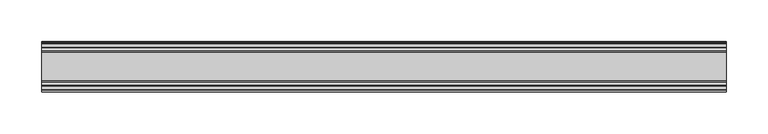
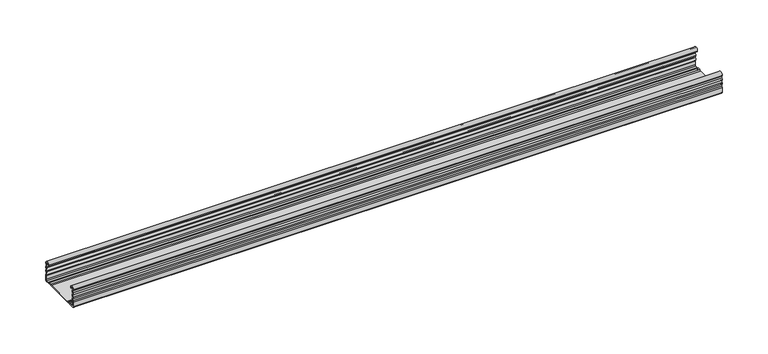
"""IFC4 building model written with IfcOpenShell, lengths in millimetres: proxy geometry."""

from ifc_helpers import new_model, si_unit, point, frame, frame_2d, origin, place, context, project, spatial, polyline, circle_curve, trimmed, segment, composite_curve, outline, extrude, source, transform, mapped, element, save


def generic_models_9cc6b144(model_context):
    return source(origin(), model_context, "Body", "SweptSolid", [
        extrude(outline(composite_curve([segment(trimmed(circle_curve(frame_2d((-28.2, 23.9406511)), 1.8), [point((-29.424, 22.6208693))], [point((-29.9990651, 23.8826448))], False, "CARTESIAN"), True, "CONTINUOUS"), segment(trimmed(circle_curve(frame_2d((-26.8817099, 23.8826448)), 3.1173552), [point((-29.9990651, 23.8826448))], [point((-23.7643548, 23.8826448))], False, "CARTESIAN"), True, "CONTINUOUS"), segment(polyline([(-23.7643548, 23.8826448), (-23.7643548, 23.0407729), (-24.9643548, 23.0407729), (-24.9643548, 23.8826448)]), True, "CONTINUOUS"), segment(trimmed(circle_curve(frame_2d((-26.8817099, 23.8826448)), 1.9173552), [point((-24.9643548, 23.8826448))], [point((-28.7514388, 24.3073386))], True, "CARTESIAN"), True, "CONTINUOUS"), segment(trimmed(circle_curve(frame_2d((-27.7762784, 24.0858388)), 1.0), [point((-28.7514388, 24.3073386))], [point((-28.4928378, 23.3883128))], True, "CARTESIAN"), True, "CONTINUOUS"), segment(trimmed(circle_curve(frame_2d((-30.75, 21.1911057)), 3.15), [point((-28.4928378, 23.3883128))], [point((-28.3578316, 19.1417081))], False, "CARTESIAN"), True, "CONTINUOUS"), segment(trimmed(circle_curve(frame_2d((-27.5984131, 18.4911057)), 1.0), [point((-28.3578316, 19.1417081))], [point((-28.3578316, 17.8405033))], True, "CARTESIAN"), True, "CONTINUOUS"), segment(trimmed(circle_curve(frame_2d((-30.75, 15.7911057)), 3.15), [point((-28.3578316, 17.8405033))], [point((-28.3578316, 13.7417081))], False, "CARTESIAN"), True, "CONTINUOUS"), segment(trimmed(circle_curve(frame_2d((-27.5984131, 13.0911057)), 1.0), [point((-28.3578316, 13.7417081))], [point((-28.3578316, 12.4405033))], True, "CARTESIAN"), True, "CONTINUOUS"), segment(trimmed(circle_curve(frame_2d((-30.75, 10.3911057)), 3.15), [point((-28.3578316, 12.4405033))], [point((-28.3339806, 8.3698808))], False, "CARTESIAN"), True, "CONTINUOUS"), segment(trimmed(circle_curve(frame_2d((-26.8, 7.0865634)), 2.0), [point((-28.3339806, 8.3698808))], [point((-28.8, 7.0865634))], True, "CARTESIAN"), True, "CONTINUOUS"), segment(polyline([(-28.8, 7.0865634), (-28.8, 2.3817804)]), True, "CONTINUOUS"), segment(trimmed(circle_curve(frame_2d((-27.6182196, 2.3817804)), 1.1817804), [point((-28.8, 2.3817804))], [point((-27.6182196, 1.2))], True, "CARTESIAN"), True, "CONTINUOUS"), segment(polyline([(-27.6182196, 1.2), (-24.382064, 1.2)]), True, "CONTINUOUS"), segment(trimmed(circle_curve(frame_2d((-24.382064, 4.2)), 3.0), [point((-24.382064, 1.2))], [point((-22.6017433, 1.7853659))], True, "CARTESIAN"), True, "CONTINUOUS"), segment(trimmed(circle_curve(frame_2d((-20.7324065, -0.75)), 3.15), [point((-22.6017433, 1.7853659))], [point((-18.8630697, 1.7853659))], False, "CARTESIAN"), True, "CONTINUOUS"), segment(trimmed(circle_curve(frame_2d((-17.082749, 4.2)), 3.0), [point((-18.8630697, 1.7853659))], [point((-17.082749, 1.2))], True, "CARTESIAN"), True, "CONTINUOUS"), segment(polyline([(-17.082749, 1.2), (17.082749, 1.2)]), True, "CONTINUOUS"), segment(trimmed(circle_curve(frame_2d((17.082749, 4.2)), 3.0), [point((17.082749, 1.2))], [point((18.8630697, 1.7853659))], True, "CARTESIAN"), True, "CONTINUOUS"), segment(trimmed(circle_curve(frame_2d((20.7324065, -0.75)), 3.15), [point((18.8630697, 1.7853659))], [point((22.6017433, 1.7853659))], False, "CARTESIAN"), True, "CONTINUOUS"), segment(trimmed(circle_curve(frame_2d((24.382064, 4.2)), 3.0), [point((22.6017433, 1.7853659))], [point((24.382064, 1.2))], True, "CARTESIAN"), True, "CONTINUOUS"), segment(polyline([(24.382064, 1.2), (27.6, 1.2)]), True, "CONTINUOUS"), segment(trimmed(circle_curve(frame_2d((27.6, 2.4)), 1.2), [point((27.6, 1.2))], [point((28.8, 2.4))], True, "CARTESIAN"), True, "CONTINUOUS"), segment(polyline([(28.8, 2.4), (28.8, 7.0865634)]), True, "CONTINUOUS"), segment(trimmed(circle_curve(frame_2d((26.8, 7.0865634)), 2.0), [point((28.8, 7.0865634))], [point((28.3339806, 8.3698808))], True, "CARTESIAN"), True, "CONTINUOUS"), segment(trimmed(circle_curve(frame_2d((30.75, 10.3911057)), 3.15), [point((28.3339806, 8.3698808))], [point((28.3578316, 12.4405033))], False, "CARTESIAN"), True, "CONTINUOUS"), segment(trimmed(circle_curve(frame_2d((27.5984131, 13.0911057)), 1.0), [point((28.3578316, 12.4405033))], [point((28.3578316, 13.7417081))], True, "CARTESIAN"), True, "CONTINUOUS"), segment(trimmed(circle_curve(frame_2d((30.75, 15.7911057)), 3.15), [point((28.3578316, 13.7417081))], [point((28.3578316, 17.8405033))], False, "CARTESIAN"), True, "CONTINUOUS"), segment(trimmed(circle_curve(frame_2d((27.5984131, 18.4911057)), 1.0), [point((28.3578316, 17.8405033))], [point((28.3578316, 19.1417081))], True, "CARTESIAN"), True, "CONTINUOUS"), segment(trimmed(circle_curve(frame_2d((30.75, 21.1911057)), 3.15), [point((28.3578316, 19.1417081))], [point((28.4928378, 23.3883128))], False, "CARTESIAN"), True, "CONTINUOUS"), segment(trimmed(circle_curve(frame_2d((27.7762784, 24.0858388)), 1.0), [point((28.4928378, 23.3883128))], [point((28.7514388, 24.3073386))], True, "CARTESIAN"), True, "CONTINUOUS"), segment(trimmed(circle_curve(frame_2d((26.8817099, 23.8826448)), 1.9173552), [point((28.7514388, 24.3073386))], [point((24.9643548, 23.8826448))], True, "CARTESIAN"), True, "CONTINUOUS"), segment(polyline([(24.9643548, 23.8826448), (24.9643548, 23.0407729), (23.7643548, 23.0407729), (23.7643548, 23.8826448)]), True, "CONTINUOUS"), segment(trimmed(circle_curve(frame_2d((26.8817099, 23.8826448)), 3.1173552), [point((23.7643548, 23.8826448))], [point((29.9990651, 23.8826448))], False, "CARTESIAN"), True, "CONTINUOUS"), segment(trimmed(circle_curve(frame_2d((28.2, 23.9406511)), 1.8), [point((29.9990651, 23.8826448))], [point((29.424, 22.6208693))], False, "CARTESIAN"), True, "CONTINUOUS"), segment(trimmed(circle_curve(frame_2d((30.75, 21.1911057)), 1.95), [point((29.424, 22.6208693))], [point((29.424, 19.7613421))], True, "CARTESIAN"), True, "CONTINUOUS"), segment(trimmed(circle_curve(frame_2d((28.2, 18.4415603)), 1.8), [point((29.424, 19.7613421))], [point((29.6853338, 17.4248088))], False, "CARTESIAN"), True, "CONTINUOUS"), segment(trimmed(circle_curve(frame_2d((30.75, 15.7911057)), 1.95), [point((29.6853338, 17.4248088))], [point((29.6853338, 14.1574026))], True, "CARTESIAN"), True, "CONTINUOUS"), segment(trimmed(circle_curve(frame_2d((28.2, 13.1406511)), 1.8), [point((29.6853338, 14.1574026))], [point((29.424, 11.8208693))], False, "CARTESIAN"), True, "CONTINUOUS"), segment(trimmed(circle_curve(frame_2d((30.75, 10.3911057)), 1.95), [point((29.424, 11.8208693))], [point((29.424, 8.9613421))], True, "CARTESIAN"), True, "CONTINUOUS"), segment(trimmed(circle_curve(frame_2d((28.2, 7.6415603)), 1.8), [point((29.424, 8.9613421))], [point((30.0, 7.6415603))], False, "CARTESIAN"), True, "CONTINUOUS"), segment(polyline([(30.0, 7.6415603), (30.0, 1.2)]), True, "CONTINUOUS"), segment(trimmed(circle_curve(frame_2d((28.8, 1.2)), 1.2), [point((30.0, 1.2))], [point((28.8, 0.0))], False, "CARTESIAN"), True, "CONTINUOUS"), segment(polyline([(28.8, 0.0), (23.4819519, 0.0)]), True, "CONTINUOUS"), segment(trimmed(circle_curve(frame_2d((23.4819519, 1.8)), 1.8), [point((23.4819519, 0.0))], [point((22.1621701, 0.576))], False, "CARTESIAN"), True, "CONTINUOUS"), segment(trimmed(circle_curve(frame_2d((20.7324065, -0.75)), 1.95), [point((22.1621701, 0.576))], [point((19.3026429, 0.576))], True, "CARTESIAN"), True, "CONTINUOUS"), segment(trimmed(circle_curve(frame_2d((17.9828611, 1.8)), 1.8), [point((19.3026429, 0.576))], [point((17.9828611, 0.0))], False, "CARTESIAN"), True, "CONTINUOUS"), segment(polyline([(17.9828611, 0.0), (-17.9828611, 0.0)]), True, "CONTINUOUS"), segment(trimmed(circle_curve(frame_2d((-17.9828611, 1.8)), 1.8), [point((-17.9828611, 0.0))], [point((-19.3026429, 0.576))], False, "CARTESIAN"), True, "CONTINUOUS"), segment(trimmed(circle_curve(frame_2d((-20.7324065, -0.75)), 1.95), [point((-19.3026429, 0.576))], [point((-22.1621701, 0.576))], True, "CARTESIAN"), True, "CONTINUOUS"), segment(trimmed(circle_curve(frame_2d((-23.4819519, 1.8)), 1.8), [point((-22.1621701, 0.576))], [point((-23.4819519, 0.0))], False, "CARTESIAN"), True, "CONTINUOUS"), segment(polyline([(-23.4819519, 0.0), (-28.8, 0.0)]), True, "CONTINUOUS"), segment(trimmed(circle_curve(frame_2d((-28.8, 1.2)), 1.2), [point((-28.8, 0.0))], [point((-30.0, 1.2))], False, "CARTESIAN"), True, "CONTINUOUS"), segment(polyline([(-30.0, 1.2), (-30.0, 7.6415603)]), True, "CONTINUOUS"), segment(trimmed(circle_curve(frame_2d((-28.2, 7.6415603)), 1.8), [point((-30.0, 7.6415603))], [point((-29.424, 8.9613421))], False, "CARTESIAN"), True, "CONTINUOUS"), segment(trimmed(circle_curve(frame_2d((-30.75, 10.3911057)), 1.95), [point((-29.424, 8.9613421))], [point((-29.424, 11.8208693))], True, "CARTESIAN"), True, "CONTINUOUS"), segment(trimmed(circle_curve(frame_2d((-28.2, 13.1406511)), 1.8), [point((-29.424, 11.8208693))], [point((-29.6853338, 14.1574026))], False, "CARTESIAN"), True, "CONTINUOUS"), segment(trimmed(circle_curve(frame_2d((-30.75, 15.7911057)), 1.95), [point((-29.6853338, 14.1574026))], [point((-29.6853338, 17.4248088))], True, "CARTESIAN"), True, "CONTINUOUS"), segment(trimmed(circle_curve(frame_2d((-28.2, 18.4415603)), 1.8), [point((-29.6853338, 17.4248088))], [point((-29.424, 19.7613421))], False, "CARTESIAN"), True, "CONTINUOUS"), segment(trimmed(circle_curve(frame_2d((-30.75, 21.1911057)), 1.95), [point((-29.424, 19.7613421))], [point((-29.424, 22.6208693))], True, "CARTESIAN"), True, "CONTINUOUS")], self_intersect=False)), frame((-408.4330318, 0.0, 0.0), z_axis=(1.0, 0.0, 0.0), x_axis=(0.0, 1.0, 0.0)), (0.0, 0.0, 1.0), 816.8660636),
    ])


if __name__ == "__main__":
    model = new_model("IFC4")
    model_context = context("Model", 3, world=origin())
    ifc_project = project(units=[si_unit("LENGTHUNIT", "METRE", prefix="MILLI")], contexts=[model_context])
    site = spatial("IfcSite", under=ifc_project)
    building = spatial("IfcBuilding", under=site)
    placement = place(None, origin())
    generic_models_shape = generic_models_9cc6b144(model_context)
    element("IfcBuildingElementProxy", 1, Name="Generic Models", at=placement, inside=building, context=model_context, shape_type="MappedRepresentation", body=[
        mapped(generic_models_shape, transform((0.0, 0.0, 0.0), x_axis=(1.0, 0.0, 0.0), y_axis=(0.0, 1.0, 0.0), z_axis=(0.0, 0.0, 1.0))),
    ])
    save(model, "model.ifc")
